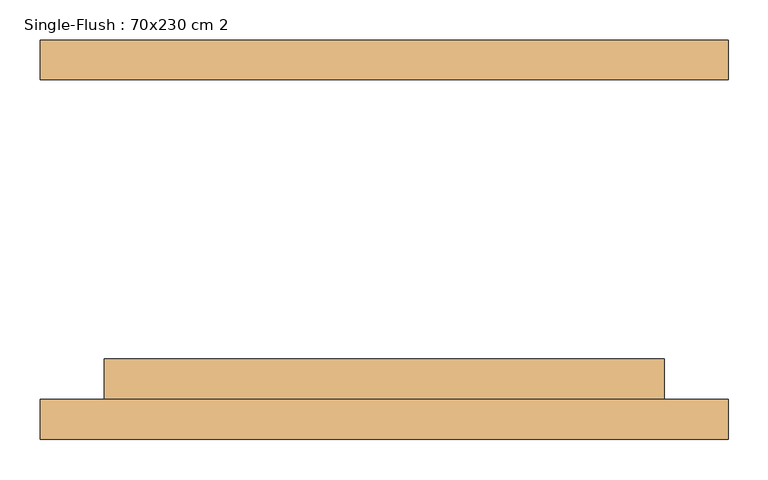
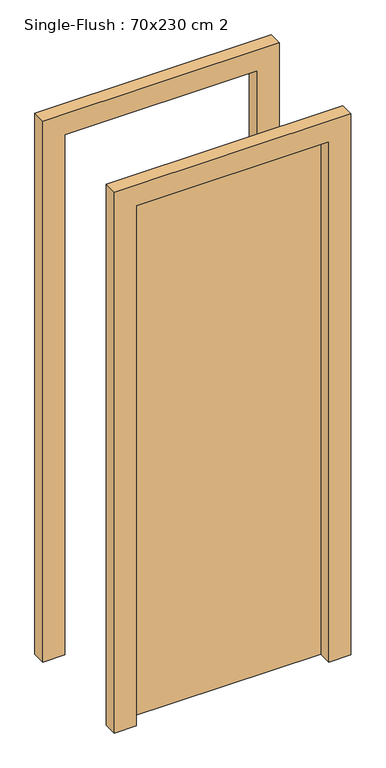
"""IFC4 building model written with IfcOpenShell, lengths in millimetres: door geometry, Single-Flush : 70x230 cm 2."""

from ifc_helpers import new_model, si_unit, frame, origin, origin_with_axes, place, context, project, spatial, polyline, outline, extrude, source, transform, mapped, element, save


def single_flush_70x230_cm_2_42dcf551(model_context):
    return source(origin(), model_context, "Body", "SweptSolid", [
        extrude(outline(polyline([(2080.0, -430.0), (0.0, -430.0), (0.0, -350.0), (2000.0, -350.0), (2000.0, 350.0), (0.0, 350.0), (0.0, 430.0), (2080.0, 430.0), (2080.0, -430.0)])), frame((0.0, -250.0, 0.0), z_axis=(0.0, 1.0, 0.0), x_axis=(0.0, 0.0, 1.0)), (0.0, 0.0, 1.0), 50.0),
        extrude(outline(polyline([(2080.0, 430.0), (2080.0, -430.0), (0.0, -430.0), (0.0, -350.0), (2000.0, -350.0), (2000.0, 350.0), (0.0, 350.0), (0.0, 430.0), (2080.0, 430.0)])), frame((0.0, 200.0, 0.0), z_axis=(0.0, 1.0, 0.0), x_axis=(0.0, 0.0, 1.0)), (0.0, 0.0, 1.0), 50.0),
        extrude(outline(polyline([(350.0, -149.2), (350.0, -200.0), (-350.0, -200.0), (-350.0, -149.2), (350.0, -149.2)])), origin_with_axes(), (0.0, 0.0, 1.0), 2000.0),
    ])


if __name__ == "__main__":
    model = new_model("IFC4")
    model_context = context("Model", 3, world=origin())
    ifc_project = project(units=[si_unit("LENGTHUNIT", "METRE", prefix="MILLI")], contexts=[model_context])
    site = spatial("IfcSite", under=ifc_project)
    building = spatial("IfcBuilding", under=site)
    placement = place(None, origin())
    single_flush_70x230_cm_2_shape = single_flush_70x230_cm_2_42dcf551(model_context)
    element("IfcDoor", 1, ObjectType="Single-Flush : 70x230 cm 2", at=placement, inside=building, context=model_context, shape_type="MappedRepresentation", body=[
        mapped(single_flush_70x230_cm_2_shape, transform((0.0, 0.0, 0.0), x_axis=(1.0, 0.0, 0.0), y_axis=(0.0, 1.0, 0.0), z_axis=(0.0, 0.0, 1.0))),
    ])
    save(model, "model.ifc")
